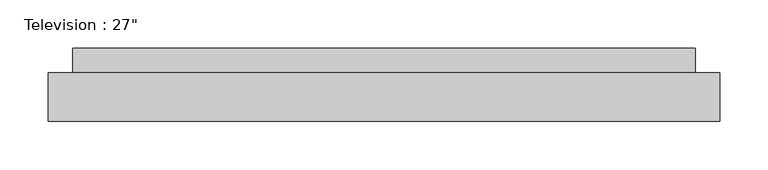
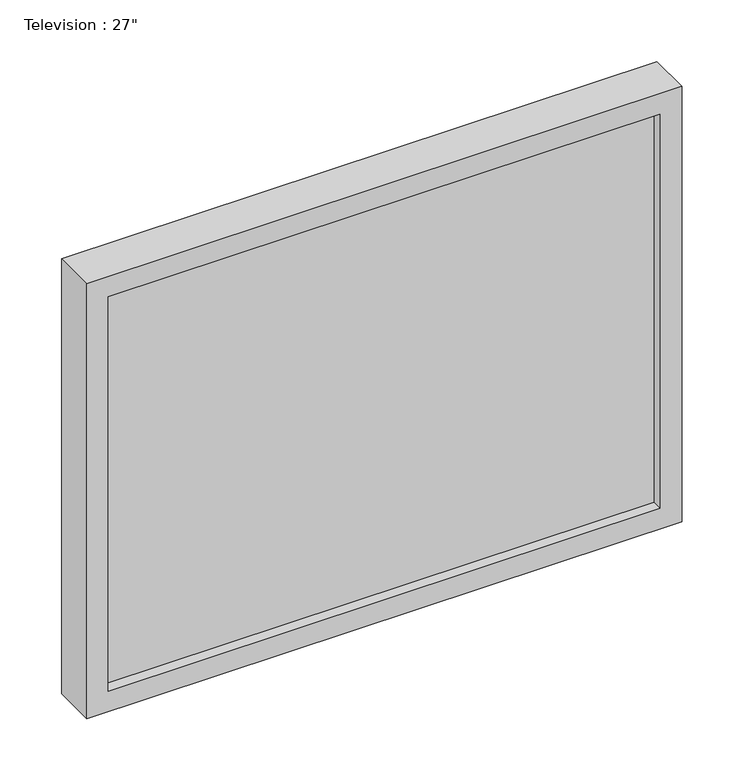
"""IFC4 building model written with IfcOpenShell, lengths in millimetres: proxy geometry."""

from ifc_helpers import new_model, si_unit, frame, origin, place, context, project, spatial, polyline, outline, extrude, source, transform, mapped, element, save


def proxy_3eb4a4f9(model_context):
    return source(origin(), model_context, "Body", "SweptSolid", [
        extrude(outline(polyline([(673.1, 0.0), (25.4, 0.0), (25.4, 25.4), (673.1, 25.4), (673.1, 0.0)])), frame((0.0, 0.0, 25.4), z_axis=(0.0, 0.0, 1.0), x_axis=(1.0, 0.0, 0.0)), (0.0, 0.0, 1.0), 488.95),
        extrude(outline(polyline([(673.1, -38.1), (25.4, -38.1), (25.4, -12.7), (673.1, -12.7), (673.1, -38.1)])), frame((0.0, 0.0, 25.4), z_axis=(0.0, 0.0, 1.0), x_axis=(1.0, 0.0, 0.0)), (0.0, 0.0, 1.0), 488.95),
        extrude(outline(polyline([(539.75, 0.0), (0.0, 0.0), (0.0, 698.5), (539.75, 698.5), (539.75, 0.0)]), holes=[polyline([(25.4, 673.1), (25.4, 25.4), (514.35, 25.4), (514.35, 673.1), (25.4, 673.1)])]), frame((0.0, -50.8, 0.0), z_axis=(0.0, 1.0, 0.0), x_axis=(0.0, 0.0, 1.0)), (0.0, 0.0, 1.0), 50.8),
    ])


if __name__ == "__main__":
    model = new_model("IFC4")
    model_context = context("Model", 3, world=origin())
    ifc_project = project(units=[si_unit("LENGTHUNIT", "METRE", prefix="MILLI")], contexts=[model_context])
    site = spatial("IfcSite", under=ifc_project)
    building = spatial("IfcBuilding", under=site)
    placement = place(None, origin())
    proxy_shape = proxy_3eb4a4f9(model_context)
    element("IfcBuildingElementProxy", 1, Name="Television : 27\"", ObjectType="Television : 27\"", at=placement, inside=building, context=model_context, shape_type="MappedRepresentation", body=[
        mapped(proxy_shape, transform((0.0, 0.0, 0.0), x_axis=(1.0, 0.0, 0.0), y_axis=(0.0, 1.0, 0.0), z_axis=(0.0, 0.0, 1.0))),
    ])
    save(model, "model.ifc")
